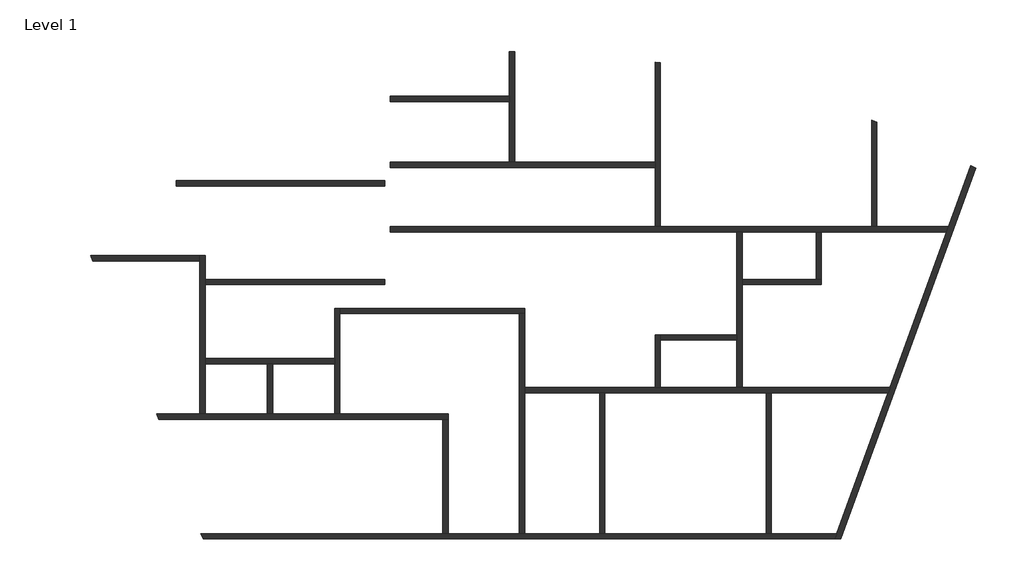
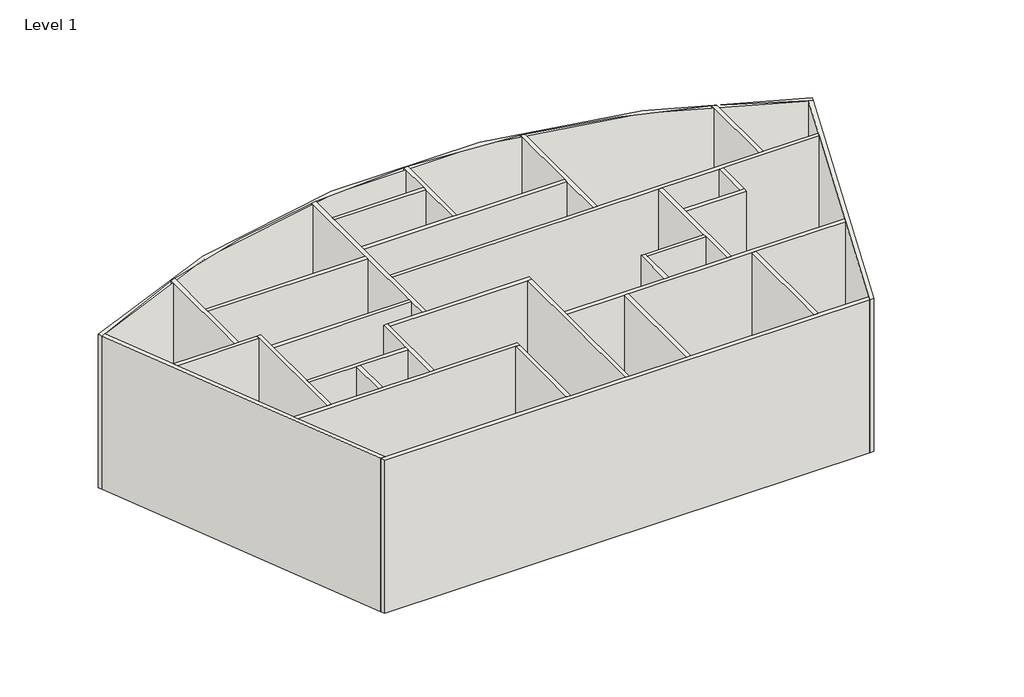
# One storey: 31 walls.
"""IFC4 building model written with IfcOpenShell, lengths in millimetres."""

from ifc_helpers import new_model, si_unit, point, frame, frame_2d, origin, origin_with_axes, place, context, project, spatial, polyline, circle_curve, trimmed, segment, composite_curve, outline, extrude, faceted_brep, element, save
from ifc_brep_helpers import plane_surface, cylinder_surface, revolved_surface, advanced_brep

model = new_model("IFC4")

# Units and contexts
model_context = context("Model", 3, world=origin())
ifc_project = project(units=[si_unit("LENGTHUNIT", "METRE", prefix="MILLI")], contexts=[model_context])

# Site, building, storey
site = spatial("IfcSite", under=ifc_project)
building = spatial("IfcBuilding", under=site)
storey = spatial("IfcBuildingStorey", under=building, Name="Level 1", Elevation=0.0)

# Walls
placement = place(None, origin())
element("IfcWall", 1, ObjectType="Generic - 200mm", at=placement, inside=storey, context=model_context, shape_type="AdvancedBrep", body=[
    advanced_brep(
    [(16589.7483127, 5132.6932039, 8000.0), (-18661.0867991, 5130.7696432, 8000.0), (-18583.8295055, 4945.2453355, 8000.0), (-18406.5687583, 5039.8644018, 8000.0), (-13954.7852702, 7037.3085973, 8000.0), (-13754.7805246, 7111.0067168, 8000.0), (-5854.7839897, 9046.5672718, 8000.0), (-5654.7792331, 9072.2395501, 8000.0), (-1133.8774864, 9361.1517222, 8000.0), (-933.8743135, 9361.1516765, 8000.0), (4383.5688408, 8963.4138205, 8000.0), (4583.5716551, 8933.3194302, 8000.0), (12583.566802, 6770.3675334, 8000.0), (12783.5709404, 6690.7296107, 8000.0), (16342.4166821, 5037.9544287, 8000.0), (16520.6318691, 4942.7973358, 8000.0), (16589.7483127, 5132.6932039, 0.0), (16520.6318691, 4942.7973358, 0.0), (16342.4166821, 5037.9544287, 0.0), (12783.5709404, 6690.7296107, 0.0), (12583.566802, 6770.3675334, 0.0), (4583.5716551, 8933.3194302, 0.0), (4383.5688408, 8963.4138205, 0.0), (-933.8743135, 9361.1516765, 0.0), (-1133.8774864, 9361.1517222, 0.0), (-5654.7792331, 9072.2395501, 0.0), (-5854.7839897, 9046.5672718, 0.0), (-13754.7805246, 7111.0067168, 0.0), (-13954.7852702, 7037.3085973, 0.0), (-18406.5687583, 5039.8644018, 0.0), (-18583.8295055, 4945.2453355, 0.0), (-18661.0867991, 5130.7696432, 0.0)],
    [
        (0, 1, circle_curve(frame((-1033.8766131, -27719.6924651, 8000.0), z_axis=(0.0, 0.0, 1.0), x_axis=(1.0, 0.0, 0.0)), 37280.9790599)),
        (1, 2),
        (2, 3, circle_curve(frame((-1033.8766131, -27719.6924651, 8000.0), z_axis=(0.0, 0.0, -1.0), x_axis=(1.0, 0.0, 0.0)), 37080.9790599)),
        (3, 4, circle_curve(frame((-1033.8766131, -27719.6924651, 8000.0), z_axis=(0.0, 0.0, -1.0), x_axis=(1.0, 0.0, 0.0)), 37080.9789311)),
        (4, 5, circle_curve(frame((-1033.8766131, -27719.6924651, 8000.0), z_axis=(0.0, 0.0, -1.0), x_axis=(1.0, 0.0, 0.0)), 37080.978997)),
        (5, 6, circle_curve(frame((-1033.8766131, -27719.6924651, 8000.0), z_axis=(0.0, 0.0, -1.0), x_axis=(1.0, 0.0, 0.0)), 37080.9789761)),
        (6, 7, circle_curve(frame((-1033.8766131, -27719.6924651, 8000.0), z_axis=(0.0, 0.0, -1.0), x_axis=(1.0, 0.0, 0.0)), 37080.9789915)),
        (7, 8, circle_curve(frame((-1033.8766131, -27719.6924651, 8000.0), z_axis=(0.0, 0.0, -1.0), x_axis=(1.0, 0.0, 0.0)), 37080.9789843)),
        (8, 9, circle_curve(frame((-1033.8766131, -27719.6924651, 8000.0), z_axis=(0.0, 0.0, -1.0), x_axis=(1.0, 0.0, 0.0)), 37080.9790299)),
        (9, 10, circle_curve(frame((-1033.8766131, -27719.6924651, 8000.0), z_axis=(0.0, 0.0, -1.0), x_axis=(1.0, 0.0, 0.0)), 37080.9789881)),
        (10, 11, circle_curve(frame((-1033.8766131, -27719.6924651, 8000.0), z_axis=(0.0, 0.0, -1.0), x_axis=(1.0, 0.0, 0.0)), 37080.9789785)),
        (11, 12, circle_curve(frame((-1033.8766131, -27719.6924651, 8000.0), z_axis=(0.0, 0.0, -1.0), x_axis=(1.0, 0.0, 0.0)), 37080.9790329)),
        (12, 13, circle_curve(frame((-1033.8766131, -27719.6924651, 8000.0), z_axis=(0.0, 0.0, -1.0), x_axis=(1.0, 0.0, 0.0)), 37080.9790035)),
        (13, 14, circle_curve(frame((-1033.8766131, -27719.6924651, 8000.0), z_axis=(0.0, 0.0, -1.0), x_axis=(1.0, 0.0, 0.0)), 37080.9790098)),
        (14, 15, circle_curve(frame((-1033.8766131, -27719.6924651, 8000.0), z_axis=(0.0, 0.0, -1.0), x_axis=(1.0, 0.0, 0.0)), 37080.9789339)),
        (15, 0),
        (16, 17),
        (17, 18, circle_curve(frame((-1033.8766131, -27719.6924651, 0.0), z_axis=(0.0, 0.0, 1.0), x_axis=(1.0, 0.0, 0.0)), 37080.9790599)),
        (18, 19, circle_curve(frame((-1033.8766131, -27719.6924651, 0.0), z_axis=(0.0, 0.0, 1.0), x_axis=(1.0, 0.0, 0.0)), 37080.9789339)),
        (19, 20, circle_curve(frame((-1033.8766131, -27719.6924651, 0.0), z_axis=(0.0, 0.0, 1.0), x_axis=(1.0, 0.0, 0.0)), 37080.9790098)),
        (20, 21, circle_curve(frame((-1033.8766131, -27719.6924651, 0.0), z_axis=(0.0, 0.0, 1.0), x_axis=(1.0, 0.0, 0.0)), 37080.9790035)),
        (21, 22, circle_curve(frame((-1033.8766131, -27719.6924651, 0.0), z_axis=(0.0, 0.0, 1.0), x_axis=(1.0, 0.0, 0.0)), 37080.9790329)),
        (22, 23, circle_curve(frame((-1033.8766131, -27719.6924651, 0.0), z_axis=(0.0, 0.0, 1.0), x_axis=(1.0, 0.0, 0.0)), 37080.9789785)),
        (23, 24, circle_curve(frame((-1033.8766131, -27719.6924651, 0.0), z_axis=(0.0, 0.0, 1.0), x_axis=(1.0, 0.0, 0.0)), 37080.9789881)),
        (24, 25, circle_curve(frame((-1033.8766131, -27719.6924651, 0.0), z_axis=(0.0, 0.0, 1.0), x_axis=(1.0, 0.0, 0.0)), 37080.9790299)),
        (25, 26, circle_curve(frame((-1033.8766131, -27719.6924651, 0.0), z_axis=(0.0, 0.0, 1.0), x_axis=(1.0, 0.0, 0.0)), 37080.9789843)),
        (26, 27, circle_curve(frame((-1033.8766131, -27719.6924651, 0.0), z_axis=(0.0, 0.0, 1.0), x_axis=(1.0, 0.0, 0.0)), 37080.9789915)),
        (27, 28, circle_curve(frame((-1033.8766131, -27719.6924651, 0.0), z_axis=(0.0, 0.0, 1.0), x_axis=(1.0, 0.0, 0.0)), 37080.9789761)),
        (28, 29, circle_curve(frame((-1033.8766131, -27719.6924651, 0.0), z_axis=(0.0, 0.0, 1.0), x_axis=(1.0, 0.0, 0.0)), 37080.978997)),
        (29, 30, circle_curve(frame((-1033.8766131, -27719.6924651, 0.0), z_axis=(0.0, 0.0, 1.0), x_axis=(1.0, 0.0, 0.0)), 37080.9789311)),
        (30, 31),
        (31, 16, circle_curve(frame((-1033.8766131, -27719.6924651, 0.0), z_axis=(0.0, 0.0, -1.0), x_axis=(1.0, 0.0, 0.0)), 37280.9790599)),
        (0, 16),
        (31, 1),
        (2, 30),
        (17, 15),
    ],
    [
        plane_surface(frame((36247.1024469, -27719.6924651, 8000.0), z_axis=(0.0, 0.0, 1.0), x_axis=(0.0, 1.0, 0.0))),
        plane_surface(frame((36247.1024469, -27719.6924651, 0.0), z_axis=(0.0, 0.0, -1.0), x_axis=(0.0, -1.0, 0.0))),
        cylinder_surface(frame((-1033.8766131, -27719.6924651, 0.0), z_axis=(0.0, 0.0, 1.0), x_axis=(1.0, 0.0, 0.0)), 37280.9790599),
        revolved_surface(polyline([(36047.102446799996, -27719.6924651, 0.0), (36047.102446799996, -27719.6924651, 8000.0)]), (-1033.8766131, -27719.6924651, 0.0), (0.0, 0.0, -1.0)),
        plane_surface(frame((16560.092649, 5051.2149375, 0.0), z_axis=(0.9396926207859081, -0.3420201433256699, 0.0), x_axis=(0.3420201433256699, 0.9396926207859081, 0.0))),
        plane_surface(frame((-12756.4943149, -9048.4150297, 0.0), z_axis=(-0.9231555198655303, -0.3844266980086091, 0.0), x_axis=(0.3844266980086091, -0.9231555198655303, 0.0))),
    ],
    [
        (0, [[1, 2, 3, 4, 5, 6, 7, 8, 9, 10, 11, 12, 13, 14, 15, 16]]),
        (1, [[17, 18, 19, 20, 21, 22, 23, 24, 25, 26, 27, 28, 29, 30, 31, 32]]),
        (2, [[-1, 33, -32, 34]]),
        (3, [[-15, -14, -13, -12, -11, -10, -9, -8, -7, -6, -5, -4, -3, 35, -30, -29, -28, -27, -26, -25, -24, -23, -22, -21, -20, -19, -18, 36]]),
        (4, [[-16, -36, -17, -33]]),
        (5, [[-2, -34, -31, -35]]),
    ],
),
])
element("IfcWall", 2, ObjectType="Generic - 200mm", at=placement, inside=storey, context=model_context, shape_type="AdvancedBrep", body=[
    advanced_brep(
    [(16342.4284449, 5037.9483318, 0.0), (15502.4357767, 2730.0874433, 0.0), (15429.6417298, 2530.0874433, 0.0), (13282.2173477, -3369.9125567, 0.0), (13209.4233008, -3569.9125567, 0.0), (11265.8004832, -8909.9723599, 0.0), (11193.0064364, -9109.9723599, 0.0), (11193.0064364, -9109.9723599, 8000.0), (11265.8004832, -8909.9723599, 8000.0), (13209.4233008, -3569.9125567, 8000.0), (13282.2173477, -3369.9125567, 8000.0), (15429.6417298, 2530.0874433, 8000.0), (15502.4357767, 2730.0874433, 8000.0), (16342.4284449, 5037.9483318, 8000.0), (16520.6318691, 4942.7973358, 0.0), (16520.6318691, 4942.7973358, 8000.0), (11405.8419909, -9109.9723599, 8000.0), (11405.8419909, -9109.9723599, 0.0)],
    [
        (0, 1),
        (1, 2),
        (2, 3),
        (3, 4),
        (4, 5),
        (5, 6),
        (6, 7),
        (7, 8),
        (8, 9),
        (9, 10),
        (10, 11),
        (11, 12),
        (12, 13),
        (13, 0),
        (14, 15),
        (15, 16),
        (16, 17),
        (17, 14),
        (0, 14, circle_curve(frame((-1033.8766131, -27719.6924651, 0.0), z_axis=(0.0, 0.0, -1.0), x_axis=(1.0, 0.0, 0.0)), 37080.9790599)),
        (17, 6),
        (7, 16),
        (15, 13, circle_curve(frame((-1033.8766131, -27719.6924651, 8000.0), z_axis=(0.0, 0.0, 1.0), x_axis=(1.0, 0.0, 0.0)), 37080.9790599)),
    ],
    [
        plane_surface(frame((16372.1541249, 5119.6189662, 0.0), z_axis=(-0.9396926207859081, 0.3420201433256699, 0.0), x_axis=(-0.3420201433256699, -0.9396926207859081, 0.0))),
        plane_surface(frame((16560.092649, 5051.2149375, 0.0), z_axis=(0.9396926207859081, -0.3420201433256699, 0.0), x_axis=(0.3420201433256699, 0.9396926207859081, 0.0))),
        plane_surface(frame((16372.1541249, 5119.6189662, 0.0), z_axis=(0.0, 0.0, -1.0000000000000002), x_axis=(0.9396926207859077, -0.34202014332567104, 0.0))),
        plane_surface(frame((11241.851975, -8975.7703456, 8000.0), z_axis=(0.0, 0.0, 1.0000000000000002), x_axis=(0.9396926207859077, -0.34202014332567104, 0.0))),
        cylinder_surface(frame((-1033.8766131, -27719.6924651, 0.0), z_axis=(0.0, 0.0, -1.0), x_axis=(1.0, 0.0, 0.0)), 37080.9790599),
        plane_surface(frame((11335.8212371, -9109.9723599, 0.0), z_axis=(0.0, -1.0, 0.0), x_axis=(1.0, 0.0, 0.0))),
    ],
    [
        (0, [[1, 2, 3, 4, 5, 6, 7, 8, 9, 10, 11, 12, 13, 14]]),
        (1, [[15, 16, 17, 18]]),
        (2, [[-6, -5, -4, -3, -2, -1, 19, -18, 20]]),
        (3, [[-13, -12, -11, -10, -9, -8, 21, -16, 22]]),
        (4, [[-14, -22, -15, -19]]),
        (5, [[-7, -20, -17, -21]]),
    ],
),
])
element("IfcWall", 3, ObjectType="Generic - 200mm", at=placement, inside=storey, context=model_context, shape_type="Brep", body=[
    faceted_brep([(11265.8004832, -8909.9723599, 0.0), (8783.5706192, -8909.9723599, 0.0), (8583.5706192, -8909.9723599, 0.0), (2483.5706192, -8909.9723599, 0.0), (2283.5706192, -8909.9723599, 0.0), (-554.7813335, -8909.9723599, 0.0), (-754.7813335, -8909.9723599, 0.0), (-3454.7813335, -8909.9723599, 0.0), (-3654.7813335, -8909.9723599, 0.0), (-12597.4973329, -8909.9723599, 0.0), (-12814.1455527, -8909.9723599, 0.0), (-12814.1455527, -8909.9723599, 8000.0), (-12597.4973329, -8909.9723599, 8000.0), (-3654.7813335, -8909.9723599, 8000.0), (-3454.7813335, -8909.9723599, 8000.0), (-754.7813335, -8909.9723599, 8000.0), (-554.7813335, -8909.9723599, 8000.0), (2283.5706192, -8909.9723599, 8000.0), (2483.5706192, -8909.9723599, 8000.0), (8583.5706192, -8909.9723599, 8000.0), (8783.5706192, -8909.9723599, 8000.0), (11265.8004832, -8909.9723599, 8000.0), (11193.0064364, -9109.9723599, 0.0), (11193.0064364, -9109.9723599, 8000.0), (-12730.860193, -9109.9723599, 8000.0), (-12730.860193, -9109.9723599, 0.0)], [[[0, 1, 2, 3, 4, 5, 6, 7, 8, 9, 10, 11, 12, 13, 14, 15, 16, 17, 18, 19, 20, 21]], [[22, 23, 24, 25]], [[10, 9, 8, 7, 6, 5, 4, 3, 2, 1, 0, 22, 25]], [[21, 20, 19, 18, 17, 16, 15, 14, 13, 12, 11, 24, 23]], [[0, 21, 23, 22]], [[11, 10, 25, 24]]]),
])
element("IfcWall", 4, ObjectType="Generic - 200mm", at=placement, inside=storey, context=model_context, shape_type="AdvancedBrep", body=[
    advanced_brep(
    [(-12597.4973329, -8909.9723599, 0.0), (-14404.8145437, -4569.9125567, 0.0), (-14488.0999035, -4369.9125567, 0.0), (-16903.375337, 1430.0874433, 0.0), (-16986.6606968, 1630.0874433, 0.0), (-18406.5806379, 5039.8582478, 0.0), (-18406.5806379, 5039.8582478, 8000.0), (-16986.6606968, 1630.0874433, 8000.0), (-16903.375337, 1430.0874433, 8000.0), (-14488.0999035, -4369.9125567, 8000.0), (-14404.8145437, -4569.9125567, 8000.0), (-12597.4973329, -8909.9723599, 8000.0), (-12814.1455527, -8909.9723599, 0.0), (-12814.1455527, -8909.9723599, 8000.0), (-18583.8295055, 4945.2453355, 8000.0), (-18583.8295055, 4945.2453355, 0.0)],
    [
        (0, 1),
        (1, 2),
        (2, 3),
        (3, 4),
        (4, 5),
        (5, 6),
        (6, 7),
        (7, 8),
        (8, 9),
        (9, 10),
        (10, 11),
        (11, 0),
        (12, 13),
        (13, 14),
        (14, 15),
        (15, 12),
        (0, 12),
        (15, 5, circle_curve(frame((-1033.8766131, -27719.6924651, 0.0), z_axis=(0.0, 0.0, -1.0), x_axis=(1.0, 0.0, 0.0)), 37080.9790599)),
        (6, 14, circle_curve(frame((-1033.8766131, -27719.6924651, 8000.0), z_axis=(0.0, 0.0, 1.0), x_axis=(1.0, 0.0, 0.0)), 37080.9790599)),
        (13, 11),
    ],
    [
        plane_surface(frame((-12571.863211, -8971.5296901, 0.0), z_axis=(0.9231555198655303, 0.3844266980086091, 0.0), x_axis=(-0.3844266980086091, 0.9231555198655303, 0.0))),
        plane_surface(frame((-12756.4943149, -9048.4150297, 0.0), z_axis=(-0.9231555198655303, -0.3844266980086091, 0.0), x_axis=(0.3844266980086091, -0.9231555198655303, 0.0))),
        plane_surface(frame((-12571.863211, -8971.5296901, 0.0), z_axis=(0.0, 0.0, -1.0), x_axis=(-0.9231555198655288, -0.38442669800861284, 0.0))),
        plane_surface(frame((-18441.5610611, 5123.8596217, 8000.0), z_axis=(0.0, 0.0, 1.0), x_axis=(-0.9231555198655291, -0.3844266980086121, 0.0))),
        cylinder_surface(frame((-1033.8766131, -27719.6924651, 0.0), z_axis=(0.0, 0.0, -1.0), x_axis=(1.0, 0.0, 0.0)), 37080.9790599),
        plane_surface(frame((11335.8212371, -8909.9723599, 0.0), z_axis=(0.0, -1.0, 0.0), x_axis=(-1.0, 0.0, 0.0))),
    ],
    [
        (0, [[1, 2, 3, 4, 5, 6, 7, 8, 9, 10, 11, 12]]),
        (1, [[13, 14, 15, 16]]),
        (2, [[-5, -4, -3, -2, -1, 17, -16, 18]]),
        (3, [[-11, -10, -9, -8, -7, 19, -14, 20]]),
        (4, [[-6, -18, -15, -19]]),
        (5, [[-12, -20, -13, -17]]),
    ],
),
])
element("IfcWall", 5, ObjectType="Generic - 200mm", at=placement, inside=storey, context=model_context, shape_type="Brep", body=[
    faceted_brep([(-14404.8145437, -4569.9125567, 0.0), (-3654.7813335, -4569.9125567, 0.0), (-3454.7813335, -4569.9125567, 0.0), (-3454.7813335, -4569.9125567, 8000.0), (-3654.7813335, -4569.9125567, 8000.0), (-14404.8145437, -4569.9125567, 8000.0), (-14488.0999035, -4369.9125567, 0.0), (-14488.0999035, -4369.9125567, 8000.0), (-12854.7813335, -4369.9125567, 8000.0), (-12654.7813335, -4369.9125567, 8000.0), (-10304.7813335, -4369.9125567, 8000.0), (-10104.7813335, -4369.9125567, 8000.0), (-7754.7813335, -4369.9125567, 8000.0), (-7554.7813335, -4369.9125567, 8000.0), (-3454.7813335, -4369.9125567, 8000.0), (-3454.7813335, -4369.9125567, 0.0), (-7554.7813335, -4369.9125567, 0.0), (-7754.7813335, -4369.9125567, 0.0), (-10104.7813335, -4369.9125567, 0.0), (-10304.7813335, -4369.9125567, 0.0), (-12654.7813335, -4369.9125567, 0.0), (-12854.7813335, -4369.9125567, 0.0)], [[[0, 1, 2, 3, 4, 5]], [[6, 7, 8, 9, 10, 11, 12, 13, 14, 15, 16, 17, 18, 19, 20, 21]], [[2, 1, 0, 6, 21, 20, 19, 18, 17, 16, 15]], [[5, 4, 3, 14, 13, 12, 11, 10, 9, 8, 7]], [[0, 5, 7, 6]], [[3, 2, 15, 14]]]),
])
element("IfcWall", 6, ObjectType="Generic - 200mm", at=placement, inside=storey, context=model_context, shape_type="SweptSolid", body=[
    extrude(outline(polyline([(-3654.7813335, -8909.9723599), (-3654.7813335, -4569.9125567), (-3454.7813335, -4569.9125567), (-3454.7813335, -8909.9723599), (-3654.7813335, -8909.9723599)])), origin_with_axes(), (0.0, 0.0, 1.0), 8000.0),
])
element("IfcWall", 7, ObjectType="Generic - 200mm", at=placement, inside=storey, context=model_context, shape_type="Brep", body=[
    faceted_brep([(-7554.7813335, -4369.9125567, 0.0), (-7554.7813335, -569.9125567, 0.0), (-7554.7813335, -369.9125567, 0.0), (-7554.7813335, -369.9125567, 8000.0), (-7554.7813335, -569.9125567, 8000.0), (-7554.7813335, -4369.9125567, 8000.0), (-7754.7813335, -4369.9125567, 0.0), (-7754.7813335, -4369.9125567, 8000.0), (-7754.7813335, -2469.9125567, 8000.0), (-7754.7813335, -2269.9125567, 8000.0), (-7754.7813335, -369.9125567, 8000.0), (-7754.7813335, -369.9125567, 0.0), (-7754.7813335, -2269.9125567, 0.0), (-7754.7813335, -2469.9125567, 0.0)], [[[0, 1, 2, 3, 4, 5]], [[6, 7, 8, 9, 10, 11, 12, 13]], [[2, 1, 0, 6, 13, 12, 11]], [[5, 4, 3, 10, 9, 8, 7]], [[0, 5, 7, 6]], [[3, 2, 11, 10]]]),
])
element("IfcWall", 8, ObjectType="Generic - 200mm", at=placement, inside=storey, context=model_context, shape_type="Brep", body=[
    faceted_brep([(-7554.7813335, -569.9125567, 0.0), (-754.7813335, -569.9125567, 0.0), (-554.7813335, -569.9125567, 0.0), (-554.7813335, -569.9125567, 8000.0), (-754.7813335, -569.9125567, 8000.0), (-7554.7813335, -569.9125567, 8000.0), (-7554.7813335, -369.9125567, 0.0), (-7554.7813335, -369.9125567, 8000.0), (-5854.7813335, -369.9125567, 8000.0), (-5654.7813335, -369.9125567, 8000.0), (-554.7813335, -369.9125567, 8000.0), (-554.7813335, -369.9125567, 0.0), (-5654.7813335, -369.9125567, 0.0), (-5854.7813335, -369.9125567, 0.0)], [[[0, 1, 2, 3, 4, 5]], [[6, 7, 8, 9, 10, 11, 12, 13]], [[2, 1, 0, 6, 13, 12, 11]], [[5, 4, 3, 10, 9, 8, 7]], [[0, 5, 7, 6]], [[3, 2, 11, 10]]]),
])
element("IfcWall", 9, ObjectType="Generic - 200mm", at=placement, inside=storey, context=model_context, shape_type="Brep", body=[
    faceted_brep([(-754.7813335, -569.9125567, 0.0), (-754.7813335, -8909.9723599, 0.0), (-754.7813335, -8909.9723599, 8000.0), (-754.7813335, -569.9125567, 8000.0), (-554.7813335, -569.9125567, 0.0), (-554.7813335, -569.9125567, 8000.0), (-554.7813335, -3369.9125567, 8000.0), (-554.7813335, -3569.9125567, 8000.0), (-554.7813335, -8909.9723599, 8000.0), (-554.7813335, -8909.9723599, 0.0), (-554.7813335, -3569.9125567, 0.0), (-554.7813335, -3369.9125567, 0.0)], [[[0, 1, 2, 3]], [[4, 5, 6, 7, 8, 9, 10, 11]], [[1, 0, 4, 11, 10, 9]], [[3, 2, 8, 7, 6, 5]], [[0, 3, 5, 4]], [[2, 1, 9, 8]]]),
])
element("IfcWall", 10, ObjectType="Generic - 200mm", at=placement, inside=storey, context=model_context, shape_type="Brep", body=[
    faceted_brep([(-12654.7813335, -4369.9125567, 0.0), (-12654.7813335, -2469.9125567, 0.0), (-12654.7813335, -2269.9125567, 0.0), (-12654.7813335, 530.0874433, 0.0), (-12654.7813335, 730.0874433, 0.0), (-12654.7813335, 1630.0874433, 0.0), (-12654.7813335, 1630.0874433, 8000.0), (-12654.7813335, 730.0874433, 8000.0), (-12654.7813335, 530.0874433, 8000.0), (-12654.7813335, -2269.9125567, 8000.0), (-12654.7813335, -2469.9125567, 8000.0), (-12654.7813335, -4369.9125567, 8000.0), (-12854.7813335, -4369.9125567, 0.0), (-12854.7813335, -4369.9125567, 8000.0), (-12854.7813335, 1430.0874433, 8000.0), (-12854.7813335, 1630.0874433, 8000.0), (-12854.7813335, 1630.0874433, 0.0), (-12854.7813335, 1430.0874433, 0.0)], [[[0, 1, 2, 3, 4, 5, 6, 7, 8, 9, 10, 11]], [[12, 13, 14, 15, 16, 17]], [[5, 4, 3, 2, 1, 0, 12, 17, 16]], [[11, 10, 9, 8, 7, 6, 15, 14, 13]], [[0, 11, 13, 12]], [[6, 5, 16, 15]]]),
])
element("IfcWall", 11, ObjectType="Generic - 200mm", at=placement, inside=storey, context=model_context, shape_type="Brep", body=[
    faceted_brep([(-12854.7813335, 1630.0874433, 0.0), (-13754.7813335, 1630.0874433, 0.0), (-13954.7813335, 1630.0874433, 0.0), (-16986.6606968, 1630.0874433, 0.0), (-16986.6606968, 1630.0874433, 8000.0), (-13954.7813335, 1630.0874433, 8000.0), (-13754.7813335, 1630.0874433, 8000.0), (-12854.7813335, 1630.0874433, 8000.0), (-12854.7813335, 1430.0874433, 0.0), (-12854.7813335, 1430.0874433, 8000.0), (-16903.375337, 1430.0874433, 8000.0), (-16903.375337, 1430.0874433, 0.0)], [[[0, 1, 2, 3, 4, 5, 6, 7]], [[8, 9, 10, 11]], [[3, 2, 1, 0, 8, 11]], [[7, 6, 5, 4, 10, 9]], [[0, 7, 9, 8]], [[4, 3, 11, 10]]]),
])
element("IfcWall", 12, ObjectType="Generic - 200mm", at=placement, inside=storey, context=model_context, shape_type="Brep", body=[
    faceted_brep([(-12654.7813335, -2469.9125567, 0.0), (-10304.7813335, -2469.9125567, 0.0), (-10104.7813335, -2469.9125567, 0.0), (-7754.7813335, -2469.9125567, 0.0), (-7754.7813335, -2469.9125567, 8000.0), (-10104.7813335, -2469.9125567, 8000.0), (-10304.7813335, -2469.9125567, 8000.0), (-12654.7813335, -2469.9125567, 8000.0), (-12654.7813335, -2269.9125567, 0.0), (-12654.7813335, -2269.9125567, 8000.0), (-7754.7813335, -2269.9125567, 8000.0), (-7754.7813335, -2269.9125567, 0.0)], [[[0, 1, 2, 3, 4, 5, 6, 7]], [[8, 9, 10, 11]], [[3, 2, 1, 0, 8, 11]], [[7, 6, 5, 4, 10, 9]], [[4, 3, 11, 10]], [[0, 7, 9, 8]]]),
])
element("IfcWall", 13, ObjectType="Generic - 200mm", at=placement, inside=storey, context=model_context, shape_type="SweptSolid", body=[
    extrude(outline(polyline([(-10304.7813335, -4369.9125567), (-10304.7813335, -2469.9125567), (-10104.7813335, -2469.9125567), (-10104.7813335, -4369.9125567), (-10304.7813335, -4369.9125567)])), origin_with_axes(), (0.0, 0.0, 1.0), 8000.0),
])
element("IfcWall", 14, ObjectType="Generic - 200mm", at=placement, inside=storey, context=model_context, shape_type="AdvancedBrep", body=[
    advanced_brep(
    [(-13754.7813335, 1630.0874433, 0.0), (-13754.7813335, 4270.546977, 0.0), (-13754.7813335, 4470.546977, 0.0), (-13754.7813335, 7111.0065106, 0.0), (-13754.7813335, 7111.0065106, 8000.0), (-13754.7813335, 4470.546977, 8000.0), (-13754.7813335, 4270.546977, 8000.0), (-13754.7813335, 1630.0874433, 8000.0), (-13954.7813335, 1630.0874433, 0.0), (-13954.7813335, 1630.0874433, 8000.0), (-13954.7813335, 7037.3101279, 8000.0), (-13954.7813335, 7037.3101279, 0.0)],
    [
        (0, 1),
        (1, 2),
        (2, 3),
        (3, 4),
        (4, 5),
        (5, 6),
        (6, 7),
        (7, 0),
        (8, 9),
        (9, 10),
        (10, 11),
        (11, 8),
        (0, 8),
        (11, 3, circle_curve(frame((-1033.8766131, -27719.6924651, 0.0), z_axis=(0.0, 0.0, -1.0), x_axis=(1.0, 0.0, 0.0)), 37080.9790599)),
        (4, 10, circle_curve(frame((-1033.8766131, -27719.6924651, 8000.0), z_axis=(0.0, 0.0, 1.0), x_axis=(1.0, 0.0, 0.0)), 37080.9790599)),
        (9, 7),
    ],
    [
        plane_surface(frame((-13754.7813335, 1530.0874433, 0.0), z_axis=(1.0, 0.0, 0.0), x_axis=(0.0, 1.0, 0.0))),
        plane_surface(frame((-13954.7813335, 1530.0874433, 0.0), z_axis=(-1.0, 0.0, 0.0), x_axis=(0.0, -1.0, 0.0))),
        plane_surface(frame((-13754.7813335, 1530.0874433, 0.0), z_axis=(0.0, 0.0, -1.0), x_axis=(-1.0, 0.0, 0.0))),
        plane_surface(frame((-13754.7813335, 7180.8749516, 8000.0), z_axis=(0.0, 0.0, 1.0), x_axis=(-1.0, 0.0, 0.0))),
        cylinder_surface(frame((-1033.8766131, -27719.6924651, 0.0), z_axis=(0.0, 0.0, -1.0), x_axis=(1.0, 0.0, 0.0)), 37080.9790599),
        plane_surface(frame((-12754.7813335, 1630.0874433, 0.0), z_axis=(0.0, -1.0, 0.0), x_axis=(-1.0, 0.0, 0.0))),
    ],
    [
        (0, [[1, 2, 3, 4, 5, 6, 7, 8]]),
        (1, [[9, 10, 11, 12]]),
        (2, [[-3, -2, -1, 13, -12, 14]]),
        (3, [[-7, -6, -5, 15, -10, 16]]),
        (4, [[-4, -14, -11, -15]]),
        (5, [[-8, -16, -9, -13]]),
    ],
),
])
element("IfcWall", 15, ObjectType="Generic - 200mm", at=placement, inside=storey, context=model_context, shape_type="SweptSolid", body=[
    extrude(outline(polyline([(-5854.7813335, 4270.546977), (-13754.7813335, 4270.546977), (-13754.7813335, 4470.546977), (-5854.7813335, 4470.546977), (-5854.7813335, 4270.546977)])), origin_with_axes(), (0.0, 0.0, 1.0), 8000.0),
])
element("IfcWall", 16, ObjectType="Generic - 200mm", at=placement, inside=storey, context=model_context, shape_type="AdvancedBrep", body=[
    advanced_brep(
    [(-5654.7813335, -369.9125567, 0.0), (-5654.7813335, 2530.0874433, 0.0), (-5654.7813335, 2730.0874433, 0.0), (-5654.7813335, 4970.546977, 0.0), (-5654.7813335, 5170.546977, 0.0), (-5654.7813335, 7470.546977, 0.0), (-5654.7813335, 7670.546977, 0.0), (-5654.7813335, 9072.2393626, 0.0), (-5654.7813335, 9072.2393626, 8000.0), (-5654.7813335, 7670.546977, 8000.0), (-5654.7813335, 7470.546977, 8000.0), (-5654.7813335, 5170.546977, 8000.0), (-5654.7813335, 4970.546977, 8000.0), (-5654.7813335, 2730.0874433, 8000.0), (-5654.7813335, 2530.0874433, 8000.0), (-5654.7813335, -369.9125567, 8000.0), (-5854.7813335, -369.9125567, 0.0), (-5854.7813335, -369.9125567, 8000.0), (-5854.7813335, 530.0874433, 8000.0), (-5854.7813335, 730.0874433, 8000.0), (-5854.7813335, 4270.546977, 8000.0), (-5854.7813335, 4470.546977, 8000.0), (-5854.7813335, 9046.5676891, 8000.0), (-5854.7813335, 9046.5676891, 0.0), (-5854.7813335, 4470.546977, 0.0), (-5854.7813335, 4270.546977, 0.0), (-5854.7813335, 730.0874433, 0.0), (-5854.7813335, 530.0874433, 0.0)],
    [
        (0, 1),
        (1, 2),
        (2, 3),
        (3, 4),
        (4, 5),
        (5, 6),
        (6, 7),
        (7, 8),
        (8, 9),
        (9, 10),
        (10, 11),
        (11, 12),
        (12, 13),
        (13, 14),
        (14, 15),
        (15, 0),
        (16, 17),
        (17, 18),
        (18, 19),
        (19, 20),
        (20, 21),
        (21, 22),
        (22, 23),
        (23, 24),
        (24, 25),
        (25, 26),
        (26, 27),
        (27, 16),
        (0, 16),
        (23, 7, circle_curve(frame((-1033.8766131, -27719.6924651, 0.0), z_axis=(0.0, 0.0, -1.0), x_axis=(1.0, 0.0, 0.0)), 37080.9790599)),
        (8, 22, circle_curve(frame((-1033.8766131, -27719.6924651, 8000.0), z_axis=(0.0, 0.0, 1.0), x_axis=(1.0, 0.0, 0.0)), 37080.9790599)),
        (17, 15),
    ],
    [
        plane_surface(frame((-5654.7813335, -469.9125567, 0.0), z_axis=(1.0, 0.0, 0.0), x_axis=(0.0, 1.0, 0.0))),
        plane_surface(frame((-5854.7813335, -469.9125567, 0.0), z_axis=(-1.0, 0.0, 0.0), x_axis=(0.0, -1.0, 0.0))),
        plane_surface(frame((-5654.7813335, -469.9125567, 0.0), z_axis=(0.0, 0.0, -1.0), x_axis=(-1.0, 0.0, 0.0))),
        plane_surface(frame((-5654.7813335, 9160.3599004, 8000.0), z_axis=(0.0, 0.0, 1.0), x_axis=(-1.0, 0.0, 0.0))),
        cylinder_surface(frame((-1033.8766131, -27719.6924651, 0.0), z_axis=(0.0, 0.0, -1.0), x_axis=(1.0, 0.0, 0.0)), 37080.9790599),
        plane_surface(frame((-7654.7813335, -369.9125567, 0.0), z_axis=(0.0, -1.0, 0.0), x_axis=(-1.0, 0.0, 0.0))),
    ],
    [
        (0, [[1, 2, 3, 4, 5, 6, 7, 8, 9, 10, 11, 12, 13, 14, 15, 16]]),
        (1, [[17, 18, 19, 20, 21, 22, 23, 24, 25, 26, 27, 28]]),
        (2, [[-7, -6, -5, -4, -3, -2, -1, 29, -28, -27, -26, -25, -24, 30]]),
        (3, [[-15, -14, -13, -12, -11, -10, -9, 31, -22, -21, -20, -19, -18, 32]]),
        (4, [[-8, -30, -23, -31]]),
        (5, [[-16, -32, -17, -29]]),
    ],
),
])
element("IfcWall", 17, ObjectType="Generic - 200mm", at=placement, inside=storey, context=model_context, shape_type="Brep", body=[
    faceted_brep([(-5654.7813335, 2530.0874433, 0.0), (7483.5706192, 2530.0874433, 0.0), (7683.5706192, 2530.0874433, 0.0), (10483.5706192, 2530.0874433, 0.0), (10683.5706192, 2530.0874433, 0.0), (15429.6417298, 2530.0874433, 0.0), (15429.6417298, 2530.0874433, 8000.0), (10683.5706192, 2530.0874433, 8000.0), (10483.5706192, 2530.0874433, 8000.0), (7683.5706192, 2530.0874433, 8000.0), (7483.5706192, 2530.0874433, 8000.0), (-5654.7813335, 2530.0874433, 8000.0), (-5654.7813335, 2730.0874433, 0.0), (-5654.7813335, 2730.0874433, 8000.0), (4383.5706192, 2730.0874433, 8000.0), (4583.5706192, 2730.0874433, 8000.0), (12583.5706192, 2730.0874433, 8000.0), (12783.5706192, 2730.0874433, 8000.0), (15502.4357767, 2730.0874433, 8000.0), (15502.4357767, 2730.0874433, 0.0), (12783.5706192, 2730.0874433, 0.0), (12583.5706192, 2730.0874433, 0.0), (4583.5706192, 2730.0874433, 0.0), (4383.5706192, 2730.0874433, 0.0)], [[[0, 1, 2, 3, 4, 5, 6, 7, 8, 9, 10, 11]], [[12, 13, 14, 15, 16, 17, 18, 19, 20, 21, 22, 23]], [[5, 4, 3, 2, 1, 0, 12, 23, 22, 21, 20, 19]], [[11, 10, 9, 8, 7, 6, 18, 17, 16, 15, 14, 13]], [[6, 5, 19, 18]], [[0, 11, 13, 12]]]),
])
element("IfcWall", 18, ObjectType="Generic - 200mm", at=placement, inside=storey, context=model_context, shape_type="AdvancedBrep", body=[
    advanced_brep(
    [(4383.5706192, 8963.4136402, 0.0), (4383.5706192, 5170.546977, 0.0), (4383.5706192, 4970.546977, 0.0), (4383.5706192, 2730.0874433, 0.0), (4383.5706192, 2730.0874433, 8000.0), (4383.5706192, 4970.546977, 8000.0), (4383.5706192, 5170.546977, 8000.0), (4383.5706192, 8963.4136402, 8000.0), (4583.5706192, 8933.3196163, 0.0), (4583.5706192, 8933.3196163, 8000.0), (4583.5706192, 2730.0874433, 8000.0), (4583.5706192, 2730.0874433, 0.0)],
    [
        (0, 1),
        (1, 2),
        (2, 3),
        (3, 4),
        (4, 5),
        (5, 6),
        (6, 7),
        (7, 0),
        (8, 9),
        (9, 10),
        (10, 11),
        (11, 8),
        (0, 8, circle_curve(frame((-1033.8766131, -27719.6924651, 0.0), z_axis=(0.0, 0.0, -1.0), x_axis=(1.0, 0.0, 0.0)), 37080.9790599)),
        (11, 3),
        (4, 10),
        (9, 7, circle_curve(frame((-1033.8766131, -27719.6924651, 8000.0), z_axis=(0.0, 0.0, 1.0), x_axis=(1.0, 0.0, 0.0)), 37080.9790599)),
    ],
    [
        plane_surface(frame((4383.5706192, 9049.628713, 0.0), z_axis=(-1.0, 0.0, 0.0), x_axis=(0.0, -1.0, 0.0))),
        plane_surface(frame((4583.5706192, 9049.628713, 0.0), z_axis=(1.0, 0.0, 0.0), x_axis=(0.0, 1.0, 0.0))),
        plane_surface(frame((4383.5706192, 9049.628713, 0.0), z_axis=(0.0, 0.0, -1.0), x_axis=(1.0, 0.0, 0.0))),
        plane_surface(frame((4383.5706192, 2630.0874433, 8000.0), z_axis=(0.0, 0.0, 1.0), x_axis=(1.0, 0.0, 0.0))),
        cylinder_surface(frame((-1033.8766131, -27719.6924651, 0.0), z_axis=(0.0, 0.0, -1.0), x_axis=(1.0, 0.0, 0.0)), 37080.9790599),
        plane_surface(frame((-5754.7813335, 2730.0874433, 0.0), z_axis=(0.0, -1.0, 0.0), x_axis=(-1.0, 0.0, 0.0))),
    ],
    [
        (0, [[1, 2, 3, 4, 5, 6, 7, 8]]),
        (1, [[9, 10, 11, 12]]),
        (2, [[-3, -2, -1, 13, -12, 14]]),
        (3, [[-7, -6, -5, 15, -10, 16]]),
        (4, [[-8, -16, -9, -13]]),
        (5, [[-4, -14, -11, -15]]),
    ],
),
])
element("IfcWall", 19, ObjectType="Generic - 200mm", at=placement, inside=storey, context=model_context, shape_type="Brep", body=[
    faceted_brep([(-554.7813335, -3569.9125567, 0.0), (2283.5706192, -3569.9125567, 0.0), (2483.5706192, -3569.9125567, 0.0), (8583.5706192, -3569.9125567, 0.0), (8783.5706192, -3569.9125567, 0.0), (13209.4233008, -3569.9125567, 0.0), (13209.4233008, -3569.9125567, 8000.0), (8783.5706192, -3569.9125567, 8000.0), (8583.5706192, -3569.9125567, 8000.0), (2483.5706192, -3569.9125567, 8000.0), (2283.5706192, -3569.9125567, 8000.0), (-554.7813335, -3569.9125567, 8000.0), (-554.7813335, -3369.9125567, 0.0), (-554.7813335, -3369.9125567, 8000.0), (4383.5706192, -3369.9125567, 8000.0), (4583.5706192, -3369.9125567, 8000.0), (7483.5706192, -3369.9125567, 8000.0), (7683.5706192, -3369.9125567, 8000.0), (13282.2173477, -3369.9125567, 8000.0), (13282.2173477, -3369.9125567, 0.0), (7683.5706192, -3369.9125567, 0.0), (7483.5706192, -3369.9125567, 0.0), (4583.5706192, -3369.9125567, 0.0), (4383.5706192, -3369.9125567, 0.0)], [[[0, 1, 2, 3, 4, 5, 6, 7, 8, 9, 10, 11]], [[12, 13, 14, 15, 16, 17, 18, 19, 20, 21, 22, 23]], [[5, 4, 3, 2, 1, 0, 12, 23, 22, 21, 20, 19]], [[11, 10, 9, 8, 7, 6, 18, 17, 16, 15, 14, 13]], [[6, 5, 19, 18]], [[0, 11, 13, 12]]]),
])
element("IfcWall", 20, ObjectType="Generic - 200mm", at=placement, inside=storey, context=model_context, shape_type="Brep", body=[
    faceted_brep([(7483.5706192, 2530.0874433, 0.0), (7483.5706192, -1369.9125567, 0.0), (7483.5706192, -1569.9125567, 0.0), (7483.5706192, -3369.9125567, 0.0), (7483.5706192, -3369.9125567, 8000.0), (7483.5706192, -1569.9125567, 8000.0), (7483.5706192, -1369.9125567, 8000.0), (7483.5706192, 2530.0874433, 8000.0), (7683.5706192, 2530.0874433, 0.0), (7683.5706192, 2530.0874433, 8000.0), (7683.5706192, 730.0874433, 8000.0), (7683.5706192, 530.0874433, 8000.0), (7683.5706192, -3369.9125567, 8000.0), (7683.5706192, -3369.9125567, 0.0), (7683.5706192, 530.0874433, 0.0), (7683.5706192, 730.0874433, 0.0)], [[[0, 1, 2, 3, 4, 5, 6, 7]], [[8, 9, 10, 11, 12, 13, 14, 15]], [[3, 2, 1, 0, 8, 15, 14, 13]], [[7, 6, 5, 4, 12, 11, 10, 9]], [[0, 7, 9, 8]], [[4, 3, 13, 12]]]),
])
element("IfcWall", 21, ObjectType="Generic - 200mm", at=placement, inside=storey, context=model_context, shape_type="SweptSolid", body=[
    extrude(outline(polyline([(2283.5706192, -8909.9723599), (2283.5706192, -3569.9125567), (2483.5706192, -3569.9125567), (2483.5706192, -8909.9723599), (2283.5706192, -8909.9723599)])), origin_with_axes(), (0.0, 0.0, 1.0), 8000.0),
])
element("IfcWall", 22, ObjectType="Generic - 200mm", at=placement, inside=storey, context=model_context, shape_type="Brep", body=[
    faceted_brep([(7683.5706192, 530.0874433, 0.0), (10683.5706192, 530.0874433, 0.0), (10683.5706192, 530.0874433, 8000.0), (7683.5706192, 530.0874433, 8000.0), (7683.5706192, 730.0874433, 0.0), (7683.5706192, 730.0874433, 8000.0), (10483.5706192, 730.0874433, 8000.0), (10683.5706192, 730.0874433, 8000.0), (10683.5706192, 730.0874433, 0.0), (10483.5706192, 730.0874433, 0.0)], [[[0, 1, 2, 3]], [[4, 5, 6, 7, 8, 9]], [[1, 0, 4, 9, 8]], [[3, 2, 7, 6, 5]], [[0, 3, 5, 4]], [[2, 1, 8, 7]]]),
])
element("IfcWall", 23, ObjectType="Generic - 200mm", at=placement, inside=storey, context=model_context, shape_type="SweptSolid", body=[
    extrude(outline(polyline([(10683.5706192, 2530.0874433), (10683.5706192, 730.0874433), (10483.5706192, 730.0874433), (10483.5706192, 2530.0874433), (10683.5706192, 2530.0874433)])), origin_with_axes(), (0.0, 0.0, 1.0), 8000.0),
])
element("IfcWall", 24, ObjectType="Generic - 200mm", at=placement, inside=storey, context=model_context, shape_type="SweptSolid", body=[
    extrude(outline(composite_curve([segment(polyline([(12783.5706192, 6690.7297937), (12783.5706192, 2730.0874433), (12583.5706192, 2730.0874433), (12583.5706192, 6770.366087)]), True, "CONTINUOUS"), segment(trimmed(circle_curve(frame_2d((-1033.8766131, -27719.6924651)), 37080.9790599), [point((12583.5706192, 6770.366087))], [point((12783.5706192, 6690.7297937))], False, "CARTESIAN"), True, "CONTINUOUS")], self_intersect=False)), origin_with_axes(), (0.0, 0.0, 1.0), 8000.0),
])
element("IfcWall", 25, ObjectType="Generic - 200mm", at=placement, inside=storey, context=model_context, shape_type="SweptSolid", body=[
    extrude(outline(polyline([(8583.5706192, -8909.9723599), (8583.5706192, -3569.9125567), (8783.5706192, -3569.9125567), (8783.5706192, -8909.9723599), (8583.5706192, -8909.9723599)])), origin_with_axes(), (0.0, 0.0, 1.0), 8000.0),
])
element("IfcWall", 26, ObjectType="Generic - 200mm", at=placement, inside=storey, context=model_context, shape_type="SweptSolid", body=[
    extrude(outline(polyline([(-5854.7813335, 530.0874433), (-12654.7813335, 530.0874433), (-12654.7813335, 730.0874433), (-5854.7813335, 730.0874433), (-5854.7813335, 530.0874433)])), origin_with_axes(), (0.0, 0.0, 1.0), 8000.0),
])
element("IfcWall", 27, ObjectType="Generic - 200mm", at=placement, inside=storey, context=model_context, shape_type="Brep", body=[
    faceted_brep([(-5654.7813335, 4970.546977, 0.0), (4383.5706192, 4970.546977, 0.0), (4383.5706192, 4970.546977, 8000.0), (-5654.7813335, 4970.546977, 8000.0), (-5654.7813335, 5170.546977, 0.0), (-5654.7813335, 5170.546977, 8000.0), (-1133.8766131, 5170.546977, 8000.0), (-933.8766131, 5170.546977, 8000.0), (4383.5706192, 5170.546977, 8000.0), (4383.5706192, 5170.546977, 0.0), (-933.8766131, 5170.546977, 0.0), (-1133.8766131, 5170.546977, 0.0)], [[[0, 1, 2, 3]], [[4, 5, 6, 7, 8, 9, 10, 11]], [[1, 0, 4, 11, 10, 9]], [[3, 2, 8, 7, 6, 5]], [[0, 3, 5, 4]], [[2, 1, 9, 8]]]),
])
element("IfcWall", 28, ObjectType="Generic - 200mm", at=placement, inside=storey, context=model_context, shape_type="AdvancedBrep", body=[
    advanced_brep(
    [(-1133.8766131, 9361.1517546, 0.0), (-1133.8766131, 7670.546977, 0.0), (-1133.8766131, 7470.546977, 0.0), (-1133.8766131, 5170.546977, 0.0), (-1133.8766131, 5170.546977, 8000.0), (-1133.8766131, 7470.546977, 8000.0), (-1133.8766131, 7670.546977, 8000.0), (-1133.8766131, 9361.1517546, 8000.0), (-933.8766131, 9361.1517546, 0.0), (-933.8766131, 9361.1517546, 8000.0), (-933.8766131, 5170.546977, 8000.0), (-933.8766131, 5170.546977, 0.0)],
    [
        (0, 1),
        (1, 2),
        (2, 3),
        (3, 4),
        (4, 5),
        (5, 6),
        (6, 7),
        (7, 0),
        (8, 9),
        (9, 10),
        (10, 11),
        (11, 8),
        (0, 8, circle_curve(frame((-1033.8766131, -27719.6924651, 0.0), z_axis=(0.0, 0.0, -1.0), x_axis=(1.0, 0.0, 0.0)), 37080.9790599)),
        (11, 3),
        (4, 10),
        (9, 7, circle_curve(frame((-1033.8766131, -27719.6924651, 8000.0), z_axis=(0.0, 0.0, 1.0), x_axis=(1.0, 0.0, 0.0)), 37080.9790599)),
    ],
    [
        plane_surface(frame((-1133.8766131, 9461.2865949, 0.0), z_axis=(-1.0, 0.0, 0.0), x_axis=(0.0, -1.0, 0.0))),
        plane_surface(frame((-933.8766131, 9461.2865949, 0.0), z_axis=(1.0, 0.0, 0.0), x_axis=(0.0, 1.0, 0.0))),
        plane_surface(frame((-1133.8766131, 9461.2865949, 0.0), z_axis=(0.0, 0.0, -1.0), x_axis=(1.0, 0.0, 0.0))),
        plane_surface(frame((-1133.8766131, 5070.546977, 8000.0), z_axis=(0.0, 0.0, 1.0), x_axis=(1.0, 0.0, 0.0))),
        cylinder_surface(frame((-1033.8766131, -27719.6924651, 0.0), z_axis=(0.0, 0.0, -1.0), x_axis=(1.0, 0.0, 0.0)), 37080.9790599),
        plane_surface(frame((-5754.7813335, 5170.546977, 0.0), z_axis=(0.0, -1.0, 0.0), x_axis=(-1.0, 0.0, 0.0))),
    ],
    [
        (0, [[1, 2, 3, 4, 5, 6, 7, 8]]),
        (1, [[9, 10, 11, 12]]),
        (2, [[-3, -2, -1, 13, -12, 14]]),
        (3, [[-7, -6, -5, 15, -10, 16]]),
        (4, [[-8, -16, -9, -13]]),
        (5, [[-4, -14, -11, -15]]),
    ],
),
])
element("IfcWall", 29, ObjectType="Generic - 200mm", at=placement, inside=storey, context=model_context, shape_type="SweptSolid", body=[
    extrude(outline(polyline([(-1133.8766131, 7470.546977), (-5654.7813335, 7470.546977), (-5654.7813335, 7670.546977), (-1133.8766131, 7670.546977), (-1133.8766131, 7470.546977)])), origin_with_axes(), (0.0, 0.0, 1.0), 8000.0),
])
element("IfcWall", 30, ObjectType="Generic - 200mm", at=placement, inside=storey, context=model_context, shape_type="Brep", body=[
    faceted_brep([(4583.5706192, -3369.9125567, 0.0), (4583.5706192, -1569.9125567, 0.0), (4583.5706192, -1369.9125567, 0.0), (4583.5706192, -1369.9125567, 8000.0), (4583.5706192, -1569.9125567, 8000.0), (4583.5706192, -3369.9125567, 8000.0), (4383.5706192, -3369.9125567, 0.0), (4383.5706192, -3369.9125567, 8000.0), (4383.5706192, -1369.9125567, 8000.0), (4383.5706192, -1369.9125567, 0.0)], [[[0, 1, 2, 3, 4, 5]], [[6, 7, 8, 9]], [[2, 1, 0, 6, 9]], [[5, 4, 3, 8, 7]], [[0, 5, 7, 6]], [[3, 2, 9, 8]]]),
])
element("IfcWall", 31, ObjectType="Generic - 200mm", at=placement, inside=storey, context=model_context, shape_type="SweptSolid", body=[
    extrude(outline(polyline([(7483.5706192, -1569.9125567), (4583.5706192, -1569.9125567), (4583.5706192, -1369.9125567), (7483.5706192, -1369.9125567), (7483.5706192, -1569.9125567)])), origin_with_axes(), (0.0, 0.0, 1.0), 8000.0),
])

save(model, "model.ifc")
